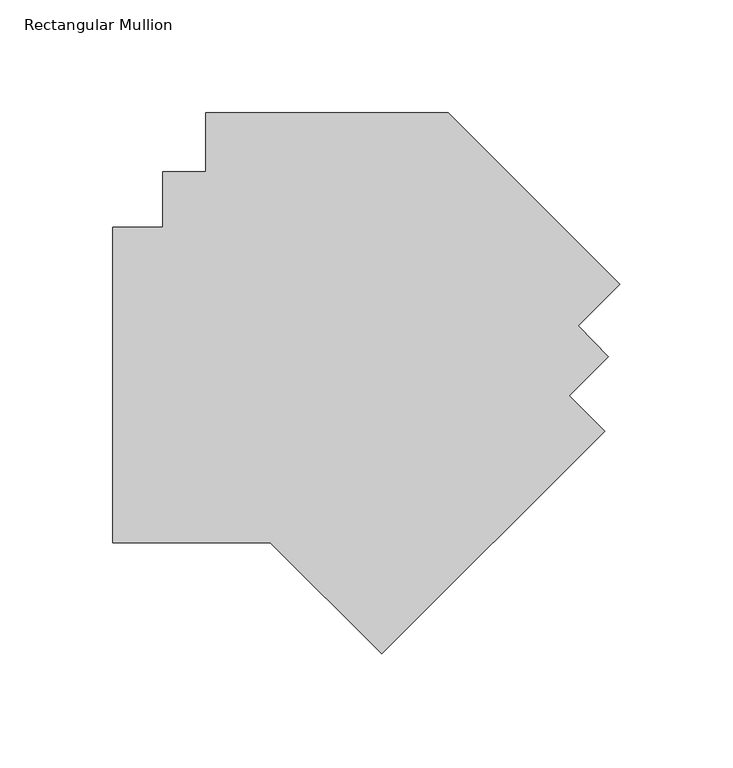
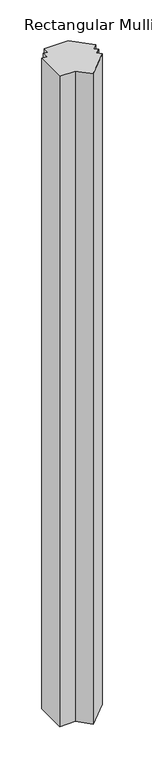
"""IFC4 building model written with IfcOpenShell, lengths in millimetres: member geometry, Rectangular Mullion."""

from ifc_helpers import new_model, si_unit, frame, origin, place, context, project, spatial, polyline, outline, extrude, source, transform, mapped, element, save


def rectangular_mullion_63540328(model_context):
    return source(origin(), model_context, "Body", "SweptSolid", [
        extrude(outline(polyline([(-154.9093305, -190.4999894), (-224.7593245, -190.4999894), (-224.7593245, -50.7999944), (-202.5344438, -50.7999944), (-202.5344438, -26.149981), (-183.4842173, -26.2372905), (-183.4842173, 0.0), (-76.0016513, 0.0), (0.0, -76.0016513), (-18.4908289, -94.4924802), (-5.0820217, -108.0247616), (-22.4504762, -125.3932161), (-6.7351081, -141.1085843), (-105.5179219, -239.8913981), (-154.9093305, -190.4999894)])), frame((0.0, 0.0, -3048.0), z_axis=(0.0, 0.0, 1.0), x_axis=(1.0, 0.0, 0.0)), (0.0, 0.0, 1.0), 3048.0),
    ])


if __name__ == "__main__":
    model = new_model("IFC4")
    model_context = context("Model", 3, world=origin())
    ifc_project = project(units=[si_unit("LENGTHUNIT", "METRE", prefix="MILLI")], contexts=[model_context])
    site = spatial("IfcSite", under=ifc_project)
    building = spatial("IfcBuilding", under=site)
    placement = place(None, origin())
    rectangular_mullion_shape = rectangular_mullion_63540328(model_context)
    element("IfcMember", 1, ObjectType="Rectangular Mullion", at=placement, inside=building, context=model_context, shape_type="MappedRepresentation", body=[
        mapped(rectangular_mullion_shape, transform((0.0, 0.0, 0.0), x_axis=(1.0, 0.0, 0.0), y_axis=(0.0, 1.0, 0.0), z_axis=(0.0, 0.0, 1.0))),
    ])
    save(model, "model.ifc")
